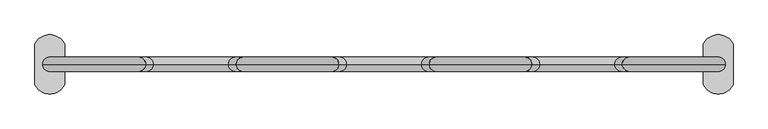
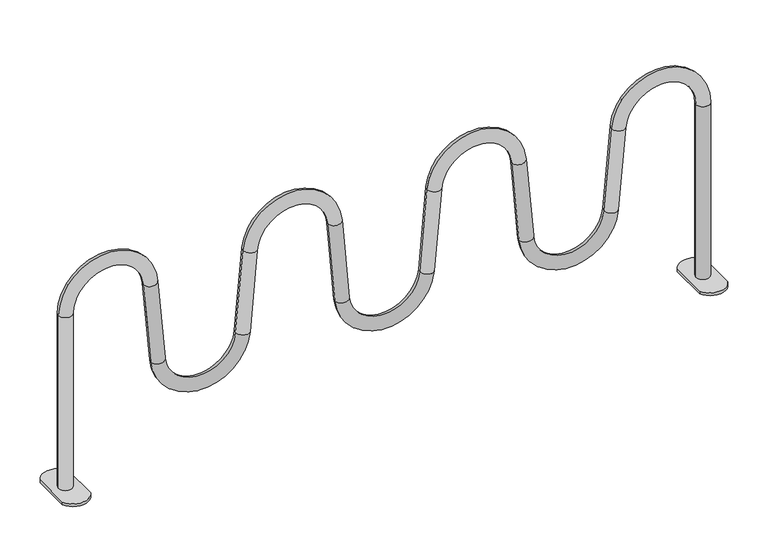
"""IFC4 building model written with IfcOpenShell, lengths in millimetres: furniture geometry."""

from ifc_helpers import new_model, si_unit, point, frame, frame_2d, origin, origin_with_axes, place, context, project, spatial, polyline, circle_curve, ellipse_curve, trimmed, segment, composite_curve, outline, extrude, source, transform, mapped, element, save
from ifc_brep_helpers import plane_surface, cylinder_surface, revolved_surface, advanced_brep


def furniture_25430966(model_context):
    return source(origin(), model_context, "Body", "SolidModel", [
        extrude(outline(composite_curve([segment(trimmed(circle_curve(frame_2d((1124.9973498, -44.9375383)), 55.0625), [point((1174.9973498, -68.0000383))], [point((1074.9973498, -68.0000383))], False, "CARTESIAN"), True, "CONTINUOUS"), segment(polyline([(1074.9973498, -68.0000383), (1074.9973498, 67.9999617)]), True, "CONTINUOUS"), segment(trimmed(circle_curve(frame_2d((1124.9973498, 44.9374617)), 55.0625), [point((1074.9973498, 67.9999617))], [point((1174.9973498, 67.9999617))], False, "CARTESIAN"), True, "CONTINUOUS"), segment(polyline([(1174.9973498, 67.9999617), (1174.9973498, -68.0000383)]), True, "CONTINUOUS")], self_intersect=False)), origin_with_axes(), (0.0, 0.0, 1.0), 10.0),
        extrude(outline(composite_curve([segment(polyline([(-1174.9973498, -68.0000383), (-1174.9973498, 67.9999617)]), True, "CONTINUOUS"), segment(trimmed(circle_curve(frame_2d((-1124.9973498, 44.9374617)), 55.0625), [point((-1174.9973498, 67.9999617))], [point((-1074.9973498, 67.9999617))], False, "CARTESIAN"), True, "CONTINUOUS"), segment(polyline([(-1074.9973498, 67.9999617), (-1074.9973498, -68.0000383)]), True, "CONTINUOUS"), segment(trimmed(circle_curve(frame_2d((-1124.9973498, -44.9375383)), 55.0625), [point((-1074.9973498, -68.0000383))], [point((-1174.9973498, -68.0000383))], False, "CARTESIAN"), True, "CONTINUOUS")], self_intersect=False)), origin_with_axes(), (0.0, 0.0, 1.0), 10.0),
        advanced_brep(
        [(-1149.3288789, 0.0, 10.0), (-1101.3288789, 0.0, 10.0), (-1149.3288789, 0.0, 655.5150113), (-1101.3288789, 0.0, 655.5150113), (-849.7766149, 0.0, 666.4980203), (-801.9592694, 0.0, 670.681496), (-775.9462025, 0.0, 373.3507809), (-823.763548, 0.0, 369.1673052), (-476.5533739, 0.0, 369.1673052), (-524.3707194, 0.0, 373.3507809), (-498.3676201, 0.0, 670.5675661), (-450.5502746, 0.0, 666.3840905), (1149.3288789, 0.0, 10.0), (1101.3288789, 0.0, 10.0), (-199.4497254, 0.0, 666.3840905), (-151.6323799, 0.0, 670.5675661), (-125.6154465, 0.0, 373.1926559), (-173.432792, 0.0, 369.0091802), (173.432792, 0.0, 369.0091802), (125.6154465, 0.0, 373.1926559), (151.6323799, 0.0, 670.5675661), (199.4497254, 0.0, 666.3840905), (450.5502746, 0.0, 666.3840905), (498.3676201, 0.0, 670.5675661), (524.3707194, 0.0, 373.3507809), (476.5533739, 0.0, 369.1673052), (823.763548, 0.0, 369.1673052), (775.9462025, 0.0, 373.3507809), (801.9592694, 0.0, 670.681496), (849.7766149, 0.0, 666.4980203), (1101.3288789, 0.0, 655.5150113), (1149.3288789, 0.0, 655.5150113)],
        [
            (0, 1, circle_curve(frame((-1125.3288789, 0.0, 10.0), z_axis=(0.0, 0.0, -1.0), x_axis=(1.0, 0.0, 0.0)), 24.0)),
            (1, 0, circle_curve(frame((-1125.3288789, 0.0, 10.0), z_axis=(0.0, 0.0, -1.0), x_axis=(1.0, 0.0, 0.0)), 24.0)),
            (0, 2),
            (2, 3, circle_curve(frame((-1125.3288789, 0.0, 655.5150113), z_axis=(0.0, 0.0, -1.0), x_axis=(1.0, 0.0, 0.0)), 24.0)),
            (3, 1),
            (3, 2, circle_curve(frame((-1125.3288789, 0.0, 655.5150113), z_axis=(0.0, 0.0, -1.0), x_axis=(1.0, 0.0, 0.0)), 24.0)),
            (4, 3, circle_curve(frame((-975.3129826, 0.0, 655.5150113), z_axis=(0.0, -1.0, 0.0), x_axis=(-1.0, 0.0, 0.0)), 126.0158963)),
            (2, 5, circle_curve(frame((-975.3129826, 0.0, 655.5150113), z_axis=(0.0, 1.0, 0.0), x_axis=(-1.0, 0.0, 0.0)), 174.0158963)),
            (5, 4, circle_curve(frame((-825.8679421, 0.0, 668.5897581), z_axis=(-0.0871557427476623, 0.0, 0.9961946980917452), x_axis=(-0.9961946980917452, 0.0, -0.0871557427476623)), 24.0)),
            (4, 5, circle_curve(frame((-825.8679421, 0.0, 668.5897581), z_axis=(-0.08715574274766186, 0.0, 0.9961946980917452), x_axis=(-0.9961946980917452, 0.0, -0.08715574274766186)), 24.0)),
            (5, 6),
            (6, 7, circle_curve(frame((-799.8548753, 0.0, 371.2590431), z_axis=(-0.0871557427476564, 0.0, 0.9961946980917457), x_axis=(-0.9961946980917457, 0.0, -0.0871557427476564)), 24.0)),
            (7, 4),
            (7, 6, circle_curve(frame((-799.8548753, 0.0, 371.2590431), z_axis=(-0.0871557427476564, 0.0, 0.9961946980917457), x_axis=(-0.9961946980917457, 0.0, -0.0871557427476564)), 24.0)),
            (8, 7, circle_curve(frame((-650.1584609, 0.0, 384.3557823), z_axis=(0.0, 1.0, 0.0), x_axis=(-0.9961946980917463, 0.0, -0.0871557427476491)), 174.2682303)),
            (6, 9, circle_curve(frame((-650.1584609, 0.0, 384.3557823), z_axis=(0.0, -1.0, 0.0), x_axis=(-0.9961946980917463, 0.0, -0.0871557427476491)), 126.2682303)),
            (9, 8, circle_curve(frame((-500.4620466, 0.0, 371.2590431), z_axis=(-0.08715574274765349, 0.0, -0.996194698091746), x_axis=(0.996194698091746, 0.0, -0.08715574274765349)), 24.0)),
            (8, 9, circle_curve(frame((-500.4620466, 0.0, 371.2590431), z_axis=(-0.08715574274765571, 0.0, -0.9961946980917458), x_axis=(0.9961946980917458, 0.0, -0.08715574274765571)), 24.0)),
            (9, 10),
            (10, 11, circle_curve(frame((-474.4589473, 0.0, 668.4758283), z_axis=(-0.08715574274765646, 0.0, -0.9961946980917457), x_axis=(0.9961946980917457, 0.0, -0.08715574274765646)), 24.0)),
            (11, 8),
            (11, 10, circle_curve(frame((-474.4589473, 0.0, 668.4758283), z_axis=(-0.08715574274765646, 0.0, -0.9961946980917457), x_axis=(0.9961946980917457, 0.0, -0.08715574274765646)), 24.0)),
            (12, 13, circle_curve(frame((1125.3288789, 0.0, 10.0), z_axis=(0.0, 0.0, -1.0), x_axis=(-1.0, 0.0, 0.0)), 24.0)),
            (13, 12, circle_curve(frame((1125.3288789, 0.0, 10.0), z_axis=(0.0, 0.0, -1.0), x_axis=(-1.0, 0.0, 0.0)), 24.0)),
            (14, 11, circle_curve(frame((-325.0, 0.0, 655.3998647), z_axis=(0.0, -1.0, 0.0), x_axis=(-0.9961946980917462, 0.0, 0.08715574274764999)), 126.0298562)),
            (10, 15, circle_curve(frame((-325.0, 0.0, 655.3998647), z_axis=(0.0, 1.0, 0.0), x_axis=(-0.9961946980917462, 0.0, 0.08715574274764999)), 174.0298562)),
            (15, 14, circle_curve(frame((-175.5410527, 0.0, 668.4758283), z_axis=(-0.08715574274766358, 0.0, 0.9961946980917451), x_axis=(-0.9961946980917451, 0.0, -0.08715574274766358)), 24.0)),
            (14, 15, circle_curve(frame((-175.5410527, 0.0, 668.4758283), z_axis=(-0.08715574274766358, 0.0, 0.9961946980917451), x_axis=(-0.9961946980917451, 0.0, -0.08715574274766358)), 24.0)),
            (15, 16),
            (16, 17, circle_curve(frame((-149.5241192, 0.0, 371.1009181), z_axis=(-0.08715574274765636, 0.0, 0.9961946980917458), x_axis=(-0.9961946980917458, 0.0, -0.08715574274765636)), 24.0)),
            (17, 14),
            (17, 16, circle_curve(frame((-149.5241192, 0.0, 371.1009181), z_axis=(-0.08715574274765636, 0.0, 0.9961946980917458), x_axis=(-0.9961946980917458, 0.0, -0.08715574274765636)), 24.0)),
            (18, 17, circle_curve(frame((0.0, 0.0, 384.1825834), z_axis=(0.0, 1.0, 0.0), x_axis=(-0.9961946980917463, 0.0, -0.08715574274764955)), 174.0952771)),
            (16, 19, circle_curve(frame((0.0, 0.0, 384.1825834), z_axis=(0.0, -1.0, 0.0), x_axis=(-0.9961946980917463, 0.0, -0.08715574274764955)), 126.0952771)),
            (19, 18, circle_curve(frame((149.5241192, 0.0, 371.1009181), z_axis=(-0.08715574274766329, 0.0, -0.9961946980917451), x_axis=(0.9961946980917451, 0.0, -0.08715574274766329)), 24.0)),
            (18, 19, circle_curve(frame((149.5241192, 0.0, 371.1009181), z_axis=(-0.08715574274766329, 0.0, -0.9961946980917451), x_axis=(0.9961946980917451, 0.0, -0.08715574274766329)), 24.0)),
            (19, 20),
            (20, 21, circle_curve(frame((175.5410527, 0.0, 668.4758283), z_axis=(-0.0871557427476565, 0.0, -0.9961946980917458), x_axis=(0.9961946980917458, 0.0, -0.0871557427476565)), 24.0)),
            (21, 18),
            (21, 20, circle_curve(frame((175.5410527, 0.0, 668.4758283), z_axis=(-0.0871557427476565, 0.0, -0.9961946980917458), x_axis=(0.9961946980917458, 0.0, -0.0871557427476565)), 24.0)),
            (22, 21, circle_curve(frame((325.0, 0.0, 655.3998647), z_axis=(0.0, -1.0, 0.0), x_axis=(-0.9961946980917457, 0.0, 0.0871557427476563)), 126.0298562)),
            (20, 23, circle_curve(frame((325.0, 0.0, 655.3998647), z_axis=(0.0, 1.0, 0.0), x_axis=(-0.9961946980917457, 0.0, 0.0871557427476563)), 174.0298562)),
            (23, 22, circle_curve(frame((474.4589473, 0.0, 668.4758283), z_axis=(-0.08715574274765282, 0.0, 0.996194698091746), x_axis=(-0.996194698091746, 0.0, -0.08715574274765282)), 24.0)),
            (22, 23, circle_curve(frame((474.4589473, 0.0, 668.4758283), z_axis=(-0.0871557427476506, 0.0, 0.9961946980917461), x_axis=(-0.9961946980917461, 0.0, -0.0871557427476506)), 24.0)),
            (23, 24),
            (24, 25, circle_curve(frame((500.4620466, 0.0, 371.2590431), z_axis=(-0.08715574274765633, 0.0, 0.9961946980917458), x_axis=(-0.9961946980917458, 0.0, -0.08715574274765633)), 24.0)),
            (25, 22),
            (25, 24, circle_curve(frame((500.4620466, 0.0, 371.2590431), z_axis=(-0.08715574274765633, 0.0, 0.9961946980917458), x_axis=(-0.9961946980917458, 0.0, -0.08715574274765633)), 24.0)),
            (26, 25, circle_curve(frame((650.1584609, 0.0, 384.3557823), z_axis=(0.0, 1.0, 0.0), x_axis=(-0.9961946980917457, 0.0, -0.08715574274765649)), 174.2682303)),
            (24, 27, circle_curve(frame((650.1584609, 0.0, 384.3557823), z_axis=(0.0, -1.0, 0.0), x_axis=(-0.9961946980917457, 0.0, -0.08715574274765649)), 126.2682303)),
            (27, 26, circle_curve(frame((799.8548753, 0.0, 371.2590431), z_axis=(-0.08715574274765679, 0.0, -0.9961946980917457), x_axis=(0.9961946980917457, 0.0, -0.08715574274765679)), 24.0)),
            (26, 27, circle_curve(frame((799.8548753, 0.0, 371.2590431), z_axis=(-0.08715574274765679, 0.0, -0.9961946980917457), x_axis=(0.9961946980917457, 0.0, -0.08715574274765679)), 24.0)),
            (27, 28),
            (28, 29, circle_curve(frame((825.8679421, 0.0, 668.5897581), z_axis=(-0.08715574274765654, 0.0, -0.9961946980917458), x_axis=(0.9961946980917458, 0.0, -0.08715574274765654)), 24.0)),
            (29, 26),
            (29, 28, circle_curve(frame((825.8679421, 0.0, 668.5897581), z_axis=(-0.08715574274765654, 0.0, -0.9961946980917458), x_axis=(0.9961946980917458, 0.0, -0.08715574274765654)), 24.0)),
            (30, 29, circle_curve(frame((975.3129826, 0.0, 655.5150113), z_axis=(0.0, -1.0, 0.0), x_axis=(-0.9961946980917457, 0.0, 0.0871557427476563)), 126.0158963)),
            (28, 31, circle_curve(frame((975.3129826, 0.0, 655.5150113), z_axis=(0.0, 1.0, 0.0), x_axis=(-0.9961946980917457, 0.0, 0.0871557427476563)), 174.0158963)),
            (31, 30, circle_curve(frame((1125.3288789, 0.0, 655.5150113), z_axis=(0.0, 0.0, 1.0), x_axis=(-1.0, 0.0, 0.0)), 24.0)),
            (30, 31, circle_curve(frame((1125.3288789, 0.0, 655.5150113), z_axis=(0.0, 0.0, 1.0), x_axis=(-1.0, 0.0, 0.0)), 24.0)),
            (31, 12),
            (13, 30),
        ],
        [
            plane_surface(frame((-1101.3288789, 0.0, 10.0), z_axis=(0.0, 0.0, -1.0), x_axis=(0.0, -1.0, 0.0))),
            cylinder_surface(frame((-1125.3288789, 0.0, 10.0), z_axis=(0.0, 0.0, -1.0), x_axis=(1.0, 0.0, 0.0)), 24.0),
            revolved_surface(trimmed(ellipse_curve(frame((-1125.3288789, 0.0, 655.5150113), z_axis=(0.0, 0.0, -1.0), x_axis=(1.0, 0.0, 0.0)), 24.0, 24.0), [point((-1149.3288789, 0.0, 655.5150113))], [point((-1101.3288789, 0.0, 655.5150113))], True, "CARTESIAN"), (-975.3129826, 0.0, 655.5150113), (0.0, 1.0, 0.0)),
            revolved_surface(trimmed(ellipse_curve(frame((-1125.3288789, 0.0, 655.5150113), z_axis=(0.0, 0.0, -1.0), x_axis=(1.0, 0.0, 0.0)), 24.0, 24.0), [point((-1101.3288789, 0.0, 655.5150113))], [point((-1149.3288789, 0.0, 655.5150113))], True, "CARTESIAN"), (-975.3129826, 0.0, 655.5150113), (0.0, 1.0, 0.0)),
            cylinder_surface(frame((-825.8679421, 0.0, 668.5897581), z_axis=(-0.0871557427476564, 0.0, 0.9961946980917457), x_axis=(-0.9961946980917457, 0.0, -0.0871557427476564)), 24.0),
            revolved_surface(trimmed(ellipse_curve(frame((-799.8548753, 0.0, 371.2590431), z_axis=(-0.08715574274764905, 0.0, 0.9961946980917463), x_axis=(-0.9961946980917463, 0.0, -0.08715574274764905)), 24.0, 24.0), [point((-775.9462025, 0.0, 373.3507809))], [point((-823.763548, 0.0, 369.1673052))], True, "CARTESIAN"), (-650.1584609, 0.0, 384.3557823), (0.0, -1.0, 0.0)),
            revolved_surface(trimmed(ellipse_curve(frame((-799.8548753, 0.0, 371.2590431), z_axis=(-0.08715574274764905, 0.0, 0.9961946980917463), x_axis=(-0.9961946980917463, 0.0, -0.08715574274764905)), 24.0, 24.0), [point((-823.763548, 0.0, 369.1673052))], [point((-775.9462025, 0.0, 373.3507809))], True, "CARTESIAN"), (-650.1584609, 0.0, 384.3557823), (0.0, -1.0, 0.0)),
            cylinder_surface(frame((-500.4620466, 0.0, 371.2590431), z_axis=(-0.08715574274765646, 0.0, -0.9961946980917457), x_axis=(0.9961946980917457, 0.0, -0.08715574274765646)), 24.0),
            plane_surface(frame((1101.3288789, 0.0, 10.0), z_axis=(0.0, 0.0, -1.0), x_axis=(0.0, -1.0, 0.0))),
            revolved_surface(trimmed(ellipse_curve(frame((-474.4589473, 0.0, 668.4758283), z_axis=(-0.08715574274765002, 0.0, -0.9961946980917462), x_axis=(0.9961946980917462, 0.0, -0.08715574274765002)), 24.0, 24.0), [point((-498.3676201, 0.0, 670.5675661))], [point((-450.5502746, 0.0, 666.3840905))], True, "CARTESIAN"), (-325.0, 0.0, 655.3998647), (0.0, 1.0, 0.0)),
            revolved_surface(trimmed(ellipse_curve(frame((-474.4589473, 0.0, 668.4758283), z_axis=(-0.08715574274765002, 0.0, -0.9961946980917462), x_axis=(0.9961946980917462, 0.0, -0.08715574274765002)), 24.0, 24.0), [point((-450.5502746, 0.0, 666.3840905))], [point((-498.3676201, 0.0, 670.5675661))], True, "CARTESIAN"), (-325.0, 0.0, 655.3998647), (0.0, 1.0, 0.0)),
            cylinder_surface(frame((-175.5410527, 0.0, 668.4758283), z_axis=(-0.08715574274765636, 0.0, 0.9961946980917458), x_axis=(-0.9961946980917458, 0.0, -0.08715574274765636)), 24.0),
            revolved_surface(trimmed(ellipse_curve(frame((-149.5241192, 0.0, 371.1009181), z_axis=(-0.08715574274764945, 0.0, 0.9961946980917463), x_axis=(-0.9961946980917463, 0.0, -0.08715574274764945)), 24.0, 24.0), [point((-125.6154465, 0.0, 373.1926559))], [point((-173.432792, 0.0, 369.0091802))], True, "CARTESIAN"), (0.0, 0.0, 384.1825834), (0.0, -1.0, 0.0)),
            revolved_surface(trimmed(ellipse_curve(frame((-149.5241192, 0.0, 371.1009181), z_axis=(-0.08715574274764945, 0.0, 0.9961946980917463), x_axis=(-0.9961946980917463, 0.0, -0.08715574274764945)), 24.0, 24.0), [point((-173.432792, 0.0, 369.0091802))], [point((-125.6154465, 0.0, 373.1926559))], True, "CARTESIAN"), (0.0, 0.0, 384.1825834), (0.0, -1.0, 0.0)),
            cylinder_surface(frame((149.5241192, 0.0, 371.1009181), z_axis=(-0.0871557427476565, 0.0, -0.9961946980917458), x_axis=(0.9961946980917458, 0.0, -0.0871557427476565)), 24.0),
            revolved_surface(trimmed(ellipse_curve(frame((175.5410527, 0.0, 668.4758283), z_axis=(-0.08715574274765636, 0.0, -0.9961946980917457), x_axis=(0.9961946980917457, 0.0, -0.08715574274765636)), 24.0, 24.0), [point((151.6323799, 0.0, 670.5675661))], [point((199.4497254, 0.0, 666.3840905))], True, "CARTESIAN"), (325.0, 0.0, 655.3998647), (0.0, 1.0, 0.0)),
            revolved_surface(trimmed(ellipse_curve(frame((175.5410527, 0.0, 668.4758283), z_axis=(-0.08715574274765636, 0.0, -0.9961946980917457), x_axis=(0.9961946980917457, 0.0, -0.08715574274765636)), 24.0, 24.0), [point((199.4497254, 0.0, 666.3840905))], [point((151.6323799, 0.0, 670.5675661))], True, "CARTESIAN"), (325.0, 0.0, 655.3998647), (0.0, 1.0, 0.0)),
            cylinder_surface(frame((474.4589473, 0.0, 668.4758283), z_axis=(-0.08715574274765633, 0.0, 0.9961946980917458), x_axis=(-0.9961946980917458, 0.0, -0.08715574274765633)), 24.0),
            revolved_surface(trimmed(ellipse_curve(frame((500.4620466, 0.0, 371.2590431), z_axis=(-0.08715574274765638, 0.0, 0.9961946980917457), x_axis=(-0.9961946980917457, 0.0, -0.08715574274765638)), 24.0, 24.0), [point((524.3707194, 0.0, 373.3507809))], [point((476.5533739, 0.0, 369.1673052))], True, "CARTESIAN"), (650.1584609, 0.0, 384.3557823), (0.0, -1.0, 0.0)),
            revolved_surface(trimmed(ellipse_curve(frame((500.4620466, 0.0, 371.2590431), z_axis=(-0.08715574274765638, 0.0, 0.9961946980917457), x_axis=(-0.9961946980917457, 0.0, -0.08715574274765638)), 24.0, 24.0), [point((476.5533739, 0.0, 369.1673052))], [point((524.3707194, 0.0, 373.3507809))], True, "CARTESIAN"), (650.1584609, 0.0, 384.3557823), (0.0, -1.0, 0.0)),
            cylinder_surface(frame((799.8548753, 0.0, 371.2590431), z_axis=(-0.08715574274765654, 0.0, -0.9961946980917458), x_axis=(0.9961946980917458, 0.0, -0.08715574274765654)), 24.0),
            revolved_surface(trimmed(ellipse_curve(frame((825.8679421, 0.0, 668.5897581), z_axis=(-0.0871557427476564, 0.0, -0.9961946980917457), x_axis=(0.9961946980917457, 0.0, -0.0871557427476564)), 24.0, 24.0), [point((801.9592694, 0.0, 670.681496))], [point((849.7766149, 0.0, 666.4980203))], True, "CARTESIAN"), (975.3129826, 0.0, 655.5150113), (0.0, 1.0, 0.0)),
            revolved_surface(trimmed(ellipse_curve(frame((825.8679421, 0.0, 668.5897581), z_axis=(-0.0871557427476564, 0.0, -0.9961946980917457), x_axis=(0.9961946980917457, 0.0, -0.0871557427476564)), 24.0, 24.0), [point((849.7766149, 0.0, 666.4980203))], [point((801.9592694, 0.0, 670.681496))], True, "CARTESIAN"), (975.3129826, 0.0, 655.5150113), (0.0, 1.0, 0.0)),
            cylinder_surface(frame((1125.3288789, 0.0, 655.5150113), z_axis=(0.0, 0.0, 1.0), x_axis=(-1.0, 0.0, 0.0)), 24.0),
        ],
        [
            (0, [[1, 2]]),
            (1, [[-1, 3, 4, 5]]),
            (1, [[-2, -5, 6, -3]]),
            (2, [[7, -4, 8, 9]]),
            (3, [[-8, -6, -7, 10]]),
            (4, [[-9, 11, 12, 13]]),
            (4, [[-10, -13, 14, -11]]),
            (5, [[15, -12, 16, 17]]),
            (6, [[-16, -14, -15, 18]]),
            (7, [[-17, 19, 20, 21]]),
            (7, [[-18, -21, 22, -19]]),
            (8, [[23, 24]]),
            (9, [[25, -20, 26, 27]]),
            (10, [[-26, -22, -25, 28]]),
            (11, [[-27, 29, 30, 31]]),
            (11, [[-28, -31, 32, -29]]),
            (12, [[33, -30, 34, 35]]),
            (13, [[-34, -32, -33, 36]]),
            (14, [[-35, 37, 38, 39]]),
            (14, [[-36, -39, 40, -37]]),
            (15, [[41, -38, 42, 43]]),
            (16, [[-42, -40, -41, 44]]),
            (17, [[-43, 45, 46, 47]]),
            (17, [[-44, -47, 48, -45]]),
            (18, [[49, -46, 50, 51]]),
            (19, [[-50, -48, -49, 52]]),
            (20, [[-51, 53, 54, 55]]),
            (20, [[-52, -55, 56, -53]]),
            (21, [[57, -54, 58, 59]]),
            (22, [[-58, -56, -57, 60]]),
            (23, [[-59, 61, -24, 62]]),
            (23, [[-60, -62, -23, -61]]),
        ],
    ),
    ])


if __name__ == "__main__":
    model = new_model("IFC4")
    model_context = context("Model", 3, world=origin())
    ifc_project = project(units=[si_unit("LENGTHUNIT", "METRE", prefix="MILLI")], contexts=[model_context])
    site = spatial("IfcSite", under=ifc_project)
    building = spatial("IfcBuilding", under=site)
    placement = place(None, origin())
    furniture_shape = furniture_25430966(model_context)
    element("IfcFurniture", 1, at=placement, inside=building, context=model_context, shape_type="MappedRepresentation", body=[
        mapped(furniture_shape, transform((0.0, 0.0, 0.0), x_axis=(1.0, 0.0, 0.0), y_axis=(0.0, 1.0, 0.0), z_axis=(0.0, 0.0, 1.0))),
    ])
    save(model, "model.ifc")
